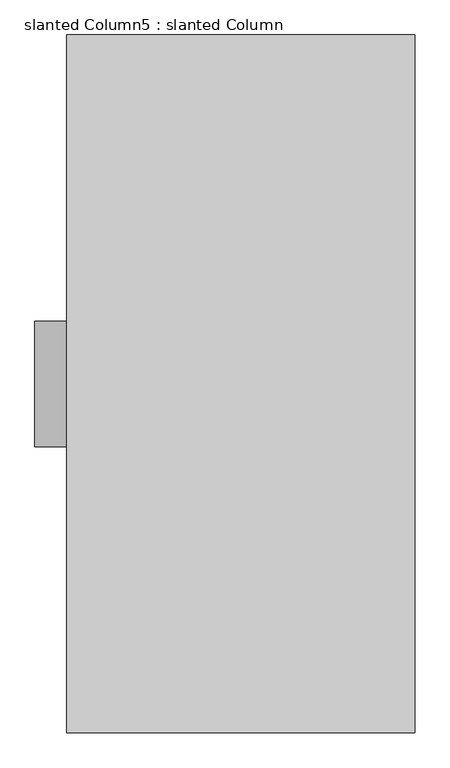
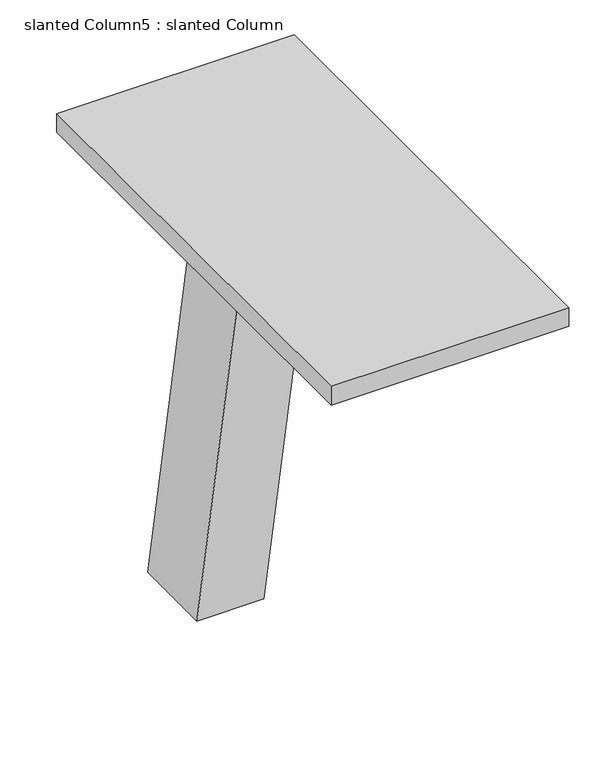
"""IFC4 building model written with IfcOpenShell, lengths in millimetres: column geometry, slanted Column5 : slanted Column."""

from ifc_helpers import new_model, si_unit, frame, origin, place, context, project, spatial, polyline, outline, extrude, source, transform, mapped, element, save


def slanted_column5_slanted_column_68295397(model_context):
    return source(origin(), model_context, "Body", "SweptSolid", [
        extrude(outline(polyline([(396.7967061, 22898.1000064), (2374.8835239, 22898.1000064), (2374.8835239, 18935.7000064), (396.7967061, 18935.7000064), (396.7967061, 22898.1000064)])), frame((0.0, 0.0, 2825.75), z_axis=(0.0, 0.0, 1.0), x_axis=(1.0, 0.0, 0.0)), (0.0, 0.0, 1.0), 165.1),
        extrude(outline(polyline([(0.0, 215.8975323), (0.0, 774.6975323), (2825.75, 1130.2975323), (2825.75, 571.4975323), (0.0, 215.8975323)])), frame((0.0, 20561.3000064, 0.0), z_axis=(0.0, 1.0, 0.0), x_axis=(0.0, 0.0, 1.0)), (0.0, 0.0, 1.0), 711.2),
    ])


if __name__ == "__main__":
    model = new_model("IFC4")
    model_context = context("Model", 3, world=origin())
    ifc_project = project(units=[si_unit("LENGTHUNIT", "METRE", prefix="MILLI")], contexts=[model_context])
    site = spatial("IfcSite", under=ifc_project)
    building = spatial("IfcBuilding", under=site)
    placement = place(None, origin())
    slanted_column5_slanted_column_shape = slanted_column5_slanted_column_68295397(model_context)
    element("IfcColumn", 1, ObjectType="slanted Column5 : slanted Column", at=placement, inside=building, context=model_context, shape_type="MappedRepresentation", body=[
        mapped(slanted_column5_slanted_column_shape, transform((0.0, 0.0, 0.0), x_axis=(1.0, 0.0, 0.0), y_axis=(0.0, 1.0, 0.0), z_axis=(0.0, 0.0, 1.0))),
    ])
    save(model, "model.ifc")
